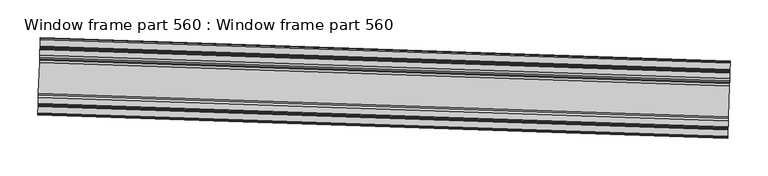
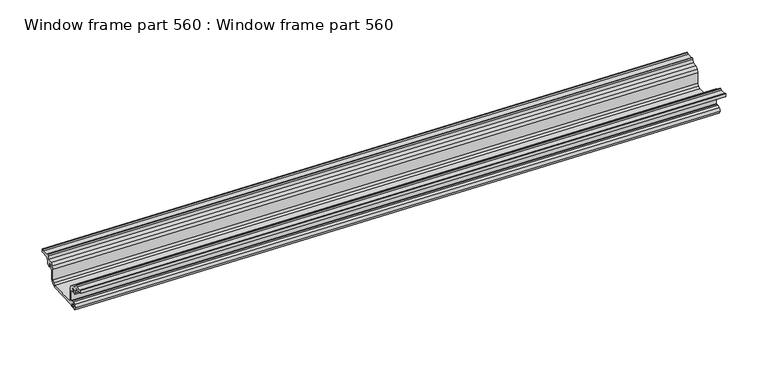
"""IFC4 building model written with IfcOpenShell, lengths in millimetres: proxy geometry, Window frame part 560 : Window frame part 560."""

from ifc_helpers import new_model, si_unit, frame, origin, place, context, project, spatial, polyline, outline, extrude, source, transform, mapped, element, save


def window_frame_part_560_window_frame_part_560_0e487fcd(model_context):
    return source(origin(), model_context, "Body", "SweptSolid", [
        extrude(outline(polyline([(-2.6123593, 0.0), (0.0, 0.0), (2.6782155, -1.8778639), (5.7558226, -1.2274356), (8.712908, -2.28305), (9.1131396, -3.9211631), (7.9227157, -4.9905232), (6.7333581, -4.7753347), (4.8454889, -4.4337657), (2.9559273, -6.1311625), (3.4811353, -8.6162693), (5.8959049, -9.4039794), (7.4841363, -8.3277636), (8.4847221, -7.6497476), (9.5853894, -7.812486), (10.3812207, -8.884484), (10.2794958, -9.8616303), (10.8492651, -10.5638152), (25.0525106, -7.5620698), (25.2441323, -6.6526713), (22.9901052, -3.1951478), (23.7922141, 1.1047504), (27.3998778, 3.578061), (31.699776, 2.775952), (32.368351, 1.8114181), (31.8720937, 0.2901131), (30.3064762, -0.040768), (29.3693058, 0.40134), (26.9302157, -0.2405662), (26.096489, -2.5386376), (27.7938859, -4.4281993), (30.2789927, -3.9029913), (31.695621, -2.7443046), (32.8995925, -2.9688952), (33.367529, -5.1830126), (32.259036, -6.3929061), (41.3208114, -49.270167), (40.1622097, -55.4811309), (34.9511398, -59.0536906), (21.6895585, -61.8564226), (21.4526237, -62.7290982), (21.9410151, -63.5815279), (21.4447578, -65.1028329), (19.5169211, -65.2628378), (16.4568631, -65.5168139), (15.6691531, -67.9315836), (17.36655, -69.8211453), (20.2676993, -68.8152667), (22.7895901, -68.6335079), (23.1204711, -70.1991253), (20.8092778, -72.4553021), (17.1888763, -73.5593702), (15.9457402, -75.9964423), (13.1901088, -77.5755605), (15.5572352, -88.7760034), (10.9104196, -89.7580717), (10.7056591, -88.7892142), (11.9201588, -86.9226046), (10.1450048, -78.5231756), (8.2792292, -77.3076644), (8.0272215, -76.115249), (9.0066734, -74.6098931), (13.8966661, -73.0570583), (12.3582594, -65.7778376), (14.6387714, -62.0023739), (18.6472866, -59.2542511), (34.2946298, -55.9473069), (37.501442, -53.7488087), (38.2142823, -49.9267077), (29.240549, -9.9220924), (9.1200132, -14.174411), (4.3423489, -13.283179), (0.7289775, -10.7533417), (-1.4111683, -3.0823346), (-5.9094628, -4.0330141), (-7.414197, -3.0527134), (-7.6662493, -1.8600872), (-6.4518356, 0.0063904), (-8.2269435, 8.4056014), (-10.0929832, 9.6212844), (-10.2978144, 10.5904762), (-5.6506644, 11.5726152), (-2.6123593, 0.0)])), frame((34352.829612, -15521.48896, 1193.4917306), z_axis=(-0.9994149479161228, 0.03420178185143951, 0.0), x_axis=(0.0070720668869620916, 0.2066538342982487, -0.9783885621979533)), (0.0, 0.0, 1.0), 914.4),
    ])


if __name__ == "__main__":
    model = new_model("IFC4")
    model_context = context("Model", 3, world=origin())
    ifc_project = project(units=[si_unit("LENGTHUNIT", "METRE", prefix="MILLI")], contexts=[model_context])
    site = spatial("IfcSite", under=ifc_project)
    building = spatial("IfcBuilding", under=site)
    placement = place(None, origin())
    window_frame_part_560_window_frame_part_560_shape = window_frame_part_560_window_frame_part_560_0e487fcd(model_context)
    element("IfcBuildingElementProxy", 1, Name="Window frame part 560 : Window frame part 560", ObjectType="Window frame part 560 : Window frame part 560", at=placement, inside=building, context=model_context, shape_type="MappedRepresentation", body=[
        mapped(window_frame_part_560_window_frame_part_560_shape, transform((0.0, 0.0, 0.0), x_axis=(1.0, 0.0, 0.0), y_axis=(0.0, 1.0, 0.0), z_axis=(0.0, 0.0, 1.0))),
    ])
    save(model, "model.ifc")
